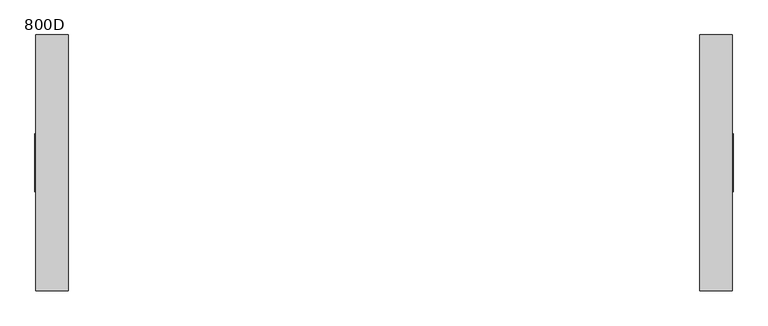
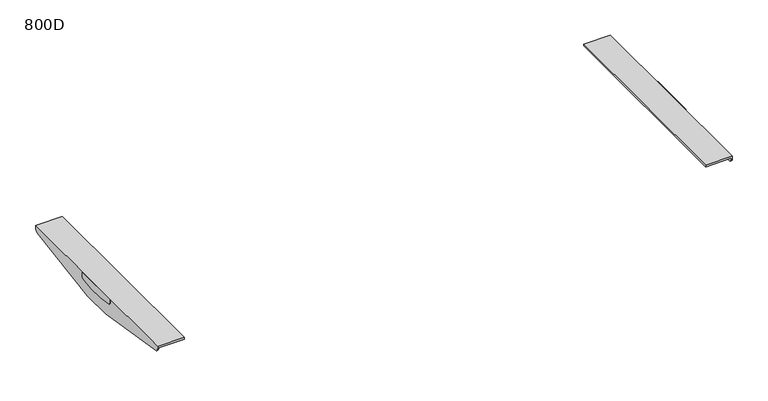
"""IFC4 building model written with IfcOpenShell, lengths in millimetres: furniture geometry, 800D."""

from ifc_helpers import new_model, si_unit, point, frame, frame_2d, origin, place, context, project, spatial, polyline, circle_curve, trimmed, segment, composite_curve, outline, extrude, source, transform, mapped, element, save
from ifc_brep_helpers import plane_surface, cylinder_surface, advanced_brep


def furniture_800d_5ac544fe(model_context):
    return source(origin(), model_context, "Body", "SolidModel", [
        advanced_brep(
        [(783.0000006, -287.4963324, 716.0), (710.0000017, -287.4963324, 716.0), (710.0000017, -287.4963324, 710.4999723), (780.0000009, -287.4963324, 710.4999723), (780.0000009, -287.4963324, 708.4998128), (783.0000006, -287.4963324, 708.4998128), (780.0000009, 287.5036993, 710.4999723), (710.0000017, 287.5036993, 710.4999723), (710.0000017, 287.5036993, 716.0), (783.0000006, 287.5036993, 716.0), (783.0000006, 287.5036993, 708.4997591), (780.0000009, 287.5036993, 708.4997591), (780.0000009, 279.1150126, 698.6304207), (780.0000009, 42.5041219, 660.0), (780.0000009, -42.4967459, 660.0), (780.0000009, -279.1076002, 698.6304207), (783.0000006, -279.1076002, 698.6304207), (783.0000006, -42.4967459, 660.0), (783.0000006, 42.5041219, 660.0), (783.0000006, 279.1150126, 698.6304207)],
        [
            (0, 1),
            (1, 2),
            (2, 3),
            (3, 4),
            (4, 5),
            (5, 0),
            (6, 7),
            (7, 8),
            (8, 9),
            (9, 10),
            (10, 11),
            (11, 6),
            (3, 6),
            (11, 12, circle_curve(frame((780.0000009, 277.503689, 708.4997591), z_axis=(-1.0, 0.0, 0.0), x_axis=(0.0, 1.0, 0.0)), 10.0000103)),
            (12, 13),
            (13, 14),
            (14, 15),
            (15, 4, circle_curve(frame((780.0000009, -277.4962677, 708.4998128), z_axis=(-1.0, 0.0, 0.0), x_axis=(0.0, 1.0, 0.0)), 10.0000647)),
            (2, 7),
            (1, 8),
            (0, 9),
            (5, 16, circle_curve(frame((783.0000006, -277.4962677, 708.4998128), z_axis=(1.0, 0.0, 0.0), x_axis=(0.0, 1.0, 0.0)), 10.0000647)),
            (16, 17),
            (17, 18),
            (18, 19),
            (19, 10, circle_curve(frame((783.0000006, 277.503689, 708.4997591), z_axis=(1.0, 0.0, 0.0), x_axis=(0.0, 1.0, 0.0)), 10.0000103)),
            (17, 14),
            (13, 18),
            (12, 19),
            (16, 15),
        ],
        [
            plane_surface(frame((783.0000006, -287.4963324, 660.0), z_axis=(0.0, -1.0, 0.0), x_axis=(1.0, 0.0, 0.0))),
            plane_surface(frame((783.0000006, 287.5036993, 660.0), z_axis=(0.0, 1.0, 0.0), x_axis=(-1.0, 0.0, 0.0))),
            plane_surface(frame((780.0000009, -287.4963324, 710.4999723), z_axis=(-1.0, 0.0, 0.0), x_axis=(0.0, 1.0, 0.0))),
            plane_surface(frame((710.0000017, -287.4963324, 710.4999723), z_axis=(0.0, 0.0, -1.0), x_axis=(0.0, 1.0, 0.0))),
            plane_surface(frame((710.0000017, -287.4963324, 716.0), z_axis=(-1.0, 0.0, 0.0), x_axis=(0.0, 1.0, 0.0))),
            plane_surface(frame((783.0000006, -287.4963324, 716.0), z_axis=(0.0, 0.0, 1.0), x_axis=(0.0, 1.0, 0.0))),
            plane_surface(frame((783.0000006, -287.4963324, 660.0), z_axis=(1.0, 0.0, 0.0), x_axis=(0.0, 1.0, 0.0))),
            plane_surface(frame((780.0000009, -287.4963324, 660.0), z_axis=(0.0, 0.0, -1.0), x_axis=(0.0, 1.0, 0.0))),
            plane_surface(frame((710.0000017, 42.5041219, 660.0), z_axis=(0.0, 0.16113218812194072, -0.9869328335560813), x_axis=(1.0, 0.0, 0.0))),
            cylinder_surface(frame((785.0, 277.503689, 708.4997591), z_axis=(1.0, 0.0, 0.0), x_axis=(0.0, 1.0, 0.0)), 10.0000103),
            plane_surface(frame((710.0000017, -279.1076002, 698.6304207), z_axis=(0.0, -0.16113221222328436, -0.9869328296211605), x_axis=(1.0, 0.0, 0.0))),
            cylinder_surface(frame((1200.0, -277.4962677, 708.4998128), z_axis=(1.0, 0.0, 0.0), x_axis=(0.0, 1.0, 0.0)), 10.0000647),
        ],
        [
            (0, [[1, 2, 3, 4, 5, 6]]),
            (1, [[7, 8, 9, 10, 11, 12]]),
            (2, [[13, -12, 14, 15, 16, 17, 18, -4]]),
            (3, [[-3, 19, -7, -13]]),
            (4, [[-2, 20, -8, -19]]),
            (5, [[-1, 21, -9, -20]]),
            (6, [[-21, -6, 22, 23, 24, 25, 26, -10]]),
            (7, [[-24, 27, -16, 28]]),
            (8, [[29, -25, -28, -15]]),
            (9, [[-29, -14, -11, -26]]),
            (10, [[30, -17, -27, -23]]),
            (11, [[-30, -22, -5, -18]]),
        ],
    ),
        extrude(outline(composite_curve([segment(polyline([(-64.9962871, 716.0), (65.0036994, 716.0), (65.0036994, 705.7477915)]), True, "CONTINUOUS"), segment(trimmed(circle_curve(frame_2d((60.0513722, 705.7477915)), 4.9523271), [point((65.0036994, 705.7477915))], [point((60.8052275, 700.8531775))], False, "CARTESIAN"), True, "CONTINUOUS"), segment(polyline([(60.8052275, 700.8531775), (22.2562903, 694.5405645), (-21.9956935, 694.5405645), (-60.8043191, 700.8134996)]), True, "CONTINUOUS"), segment(trimmed(circle_curve(frame_2d((-59.996269, 705.7477915)), 5.0000181), [point((-60.8043191, 700.8134996))], [point((-64.9962871, 705.7477915))], False, "CARTESIAN"), True, "CONTINUOUS"), segment(polyline([(-64.9962871, 705.7477915), (-64.9962871, 716.0)]), True, "CONTINUOUS")], self_intersect=False)), frame((783.0000006, 0.0, 0.0), z_axis=(1.0, 0.0, 0.0), x_axis=(0.0, 1.0, 0.0)), (0.0, 0.0, 1.0), 1.9999994),
        advanced_brep(
        [(-780.0000009, -287.4963324, 710.4999723), (-710.0000017, -287.4963324, 710.4999723), (-710.0000017, -287.4963324, 716.0), (-783.0000006, -287.4963324, 716.0), (-783.0000006, -287.4963324, 708.4998128), (-780.0000009, -287.4963324, 708.4998128), (-783.0000006, 287.5036993, 716.0), (-710.0000017, 287.5036993, 716.0), (-710.0000017, 287.5036993, 710.4999723), (-780.0000009, 287.5036993, 710.4999723), (-780.0000009, 287.5036993, 708.4997591), (-783.0000006, 287.5036993, 708.4997591), (-780.0000009, -279.1076002, 698.6304207), (-780.0000009, -42.4967459, 660.0), (-780.0000009, 42.5041219, 660.0), (-780.0000009, 279.1150126, 698.6304207), (-783.0000006, 279.1150126, 698.6304207), (-783.0000006, 42.5041219, 660.0), (-783.0000006, -42.4967459, 660.0), (-783.0000006, -279.1076002, 698.6304207)],
        [
            (0, 1),
            (1, 2),
            (2, 3),
            (3, 4),
            (4, 5),
            (5, 0),
            (6, 7),
            (7, 8),
            (8, 9),
            (9, 10),
            (10, 11),
            (11, 6),
            (9, 0),
            (5, 12, circle_curve(frame((-780.0000009, -277.4962677, 708.4998128), z_axis=(1.0, 0.0, 0.0), x_axis=(0.0, 1.0, 0.0)), 10.0000647)),
            (12, 13),
            (13, 14),
            (14, 15),
            (15, 10, circle_curve(frame((-780.0000009, 277.503689, 708.4997591), z_axis=(1.0, 0.0, 0.0), x_axis=(0.0, 1.0, 0.0)), 10.0000103)),
            (8, 1),
            (7, 2),
            (6, 3),
            (11, 16, circle_curve(frame((-783.0000006, 277.503689, 708.4997591), z_axis=(-1.0, 0.0, 0.0), x_axis=(0.0, 1.0, 0.0)), 10.0000103)),
            (16, 17),
            (17, 18),
            (18, 19),
            (19, 4, circle_curve(frame((-783.0000006, -277.4962677, 708.4998128), z_axis=(-1.0, 0.0, 0.0), x_axis=(0.0, 1.0, 0.0)), 10.0000647)),
            (13, 18),
            (17, 14),
            (16, 15),
            (12, 19),
        ],
        [
            plane_surface(frame((-780.0000009, -287.4963324, 660.0), z_axis=(0.0, -1.0, 0.0), x_axis=(0.0, 0.0, 1.0))),
            plane_surface(frame((-780.0000009, 287.5036993, 660.0), z_axis=(0.0, 1.0, 0.0), x_axis=(0.0, 0.0, -1.0))),
            plane_surface(frame((-780.0000009, -287.4963324, 660.0), z_axis=(1.0, 0.0, 0.0), x_axis=(0.0, 1.0, 0.0))),
            plane_surface(frame((-780.0000009, -287.4963324, 710.4999723), z_axis=(0.0, 0.0, -1.0), x_axis=(0.0, 1.0, 0.0))),
            plane_surface(frame((-710.0000017, -287.4963324, 710.4999723), z_axis=(1.0, 0.0, 0.0), x_axis=(0.0, 1.0, 0.0))),
            plane_surface(frame((-710.0000017, -287.4963324, 716.0), z_axis=(0.0, 0.0, 1.0), x_axis=(0.0, 1.0, 0.0))),
            plane_surface(frame((-783.0000006, -287.4963324, 716.0), z_axis=(-1.0, 0.0, 0.0), x_axis=(0.0, 1.0, 0.0))),
            plane_surface(frame((-783.0000006, -287.4963324, 660.0), z_axis=(0.0, 0.0, -1.0), x_axis=(0.0, 1.0, 0.0))),
            plane_surface(frame((-710.0000017, 279.1150126, 698.6304207), z_axis=(0.0, 0.16113218812194124, -0.9869328335560812), x_axis=(-1.0, 0.0, 0.0))),
            cylinder_surface(frame((-783.0000006, 277.503689, 708.4997591), z_axis=(-1.0, 0.0, 0.0), x_axis=(0.0, 1.0, 0.0)), 10.0000103),
            plane_surface(frame((-710.0000017, -42.4967459, 660.0), z_axis=(0.0, -0.16113221222328436, -0.9869328296211605), x_axis=(-1.0, 0.0, 0.0))),
            cylinder_surface(frame((0.0, -277.4962677, 708.4998128), z_axis=(-1.0, 0.0, 0.0), x_axis=(0.0, 1.0, 0.0)), 10.0000647),
        ],
        [
            (0, [[1, 2, 3, 4, 5, 6]]),
            (1, [[7, 8, 9, 10, 11, 12]]),
            (2, [[13, -6, 14, 15, 16, 17, 18, -10]]),
            (3, [[-1, -13, -9, 19]]),
            (4, [[-2, -19, -8, 20]]),
            (5, [[-3, -20, -7, 21]]),
            (6, [[-21, -12, 22, 23, 24, 25, 26, -4]]),
            (7, [[-16, 27, -24, 28]]),
            (8, [[29, -17, -28, -23]]),
            (9, [[-29, -22, -11, -18]]),
            (10, [[30, -25, -27, -15]]),
            (11, [[-30, -14, -5, -26]]),
        ],
    ),
        extrude(outline(composite_curve([segment(polyline([(-64.9962871, 716.0), (65.0036994, 716.0), (65.0036994, 705.7477915)]), True, "CONTINUOUS"), segment(trimmed(circle_curve(frame_2d((60.0513722, 705.7477915)), 4.9523271), [point((65.0036994, 705.7477915))], [point((60.8052275, 700.8531775))], False, "CARTESIAN"), True, "CONTINUOUS"), segment(polyline([(60.8052275, 700.8531775), (22.2562903, 694.5405645), (-21.9956935, 694.5405645), (-60.8043191, 700.8134996)]), True, "CONTINUOUS"), segment(trimmed(circle_curve(frame_2d((-59.996269, 705.7477915)), 5.0000181), [point((-60.8043191, 700.8134996))], [point((-64.9962871, 705.7477915))], False, "CARTESIAN"), True, "CONTINUOUS"), segment(polyline([(-64.9962871, 705.7477915), (-64.9962871, 716.0)]), True, "CONTINUOUS")], self_intersect=False)), frame((-785.0, 0.0, 0.0), z_axis=(1.0, 0.0, 0.0), x_axis=(0.0, 1.0, 0.0)), (0.0, 0.0, 1.0), 1.9999994),
    ])


if __name__ == "__main__":
    model = new_model("IFC4")
    model_context = context("Model", 3, world=origin())
    ifc_project = project(units=[si_unit("LENGTHUNIT", "METRE", prefix="MILLI")], contexts=[model_context])
    site = spatial("IfcSite", under=ifc_project)
    building = spatial("IfcBuilding", under=site)
    placement = place(None, origin())
    furniture_800d_shape = furniture_800d_5ac544fe(model_context)
    element("IfcFurniture", 1, ObjectType="800D", at=placement, inside=building, context=model_context, shape_type="MappedRepresentation", body=[
        mapped(furniture_800d_shape, transform((0.0, 0.0, 0.0), x_axis=(1.0, 0.0, 0.0), y_axis=(0.0, 1.0, 0.0), z_axis=(0.0, 0.0, 1.0))),
    ])
    save(model, "model.ifc")
